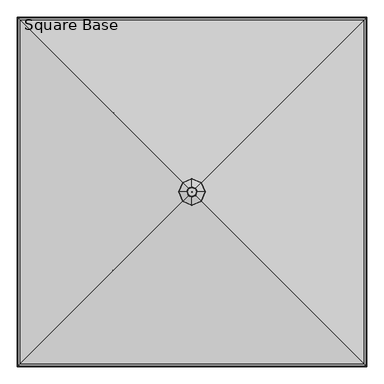
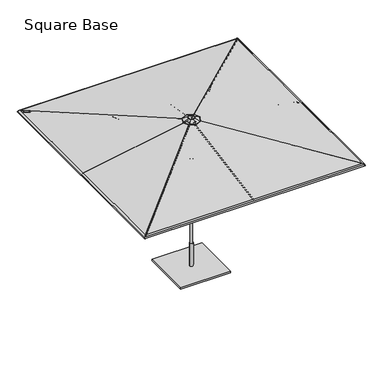
"""IFC4 building model written with IfcOpenShell, lengths in millimetres: furniture geometry, Square Base."""

from ifc_helpers import new_model, si_unit, point, frame, frame_2d, origin, origin_with_axes, place, context, project, spatial, polyline, circle_curve, ellipse_curve, trimmed, segment, composite_curve, outline, extrude, source, transform, mapped, element, save
from ifc_brep_helpers import plane_surface, cylinder_surface, revolved_surface, advanced_brep


def square_base_559cfc25(model_context):
    return source(origin(), model_context, "Body", "SolidModel", [
        extrude(outline(composite_curve([segment(polyline([(12.9834408, -8.4804821), (12.9834408, -22.8946348)]), True, "CONTINUOUS"), segment(trimmed(circle_curve(frame_2d((4.0299408, -22.8946348)), 8.9535), [point((12.9834408, -22.8946348))], [point((-4.9235592, -22.8946348))], False, "CARTESIAN"), True, "CONTINUOUS"), segment(polyline([(-4.9235592, -22.8946348), (-4.9235592, -8.4804821)]), True, "CONTINUOUS"), segment(trimmed(circle_curve(frame_2d((4.0299408, -8.4804821)), 8.9535), [point((-4.9235592, -8.4804821))], [point((12.9834408, -8.4804821))], False, "CARTESIAN"), True, "CONTINUOUS")], self_intersect=False)), frame((4.0299408, -59.6055274, 2259.2982868), z_axis=(0.0, -0.9628702081879168, 0.2699647424834542), x_axis=(-1.0, 0.0, 0.0)), (0.0, 0.0, 1.0), 1263.1950151),
        extrude(outline(composite_curve([segment(polyline([(12.9834408, -8.4804821), (12.9834408, -22.8946348)]), True, "CONTINUOUS"), segment(trimmed(circle_curve(frame_2d((4.0299408, -22.8946348)), 8.9535), [point((12.9834408, -22.8946348))], [point((-4.9235592, -22.8946348))], False, "CARTESIAN"), True, "CONTINUOUS"), segment(polyline([(-4.9235592, -22.8946348), (-4.9235592, -8.4804821)]), True, "CONTINUOUS"), segment(trimmed(circle_curve(frame_2d((4.0299408, -8.4804821)), 8.9535), [point((-4.9235592, -8.4804821))], [point((12.9834408, -8.4804821))], False, "CARTESIAN"), True, "CONTINUOUS")], self_intersect=False)), frame((-55.5755867, -8.0598816, 2259.2982868), z_axis=(-0.9628702081879168, 0.0, 0.2699647424834542), x_axis=(0.0, 1.0, 0.0)), (0.0, 0.0, 1.0), 1263.1950151),
        extrude(outline(composite_curve([segment(polyline([(12.9834408, -8.4804821), (12.9834408, -22.8946348)]), True, "CONTINUOUS"), segment(trimmed(circle_curve(frame_2d((4.0299408, -22.8946348)), 8.9535), [point((12.9834408, -22.8946348))], [point((-4.9235592, -22.8946348))], False, "CARTESIAN"), True, "CONTINUOUS"), segment(polyline([(-4.9235592, -22.8946348), (-4.9235592, -8.4804821)]), True, "CONTINUOUS"), segment(trimmed(circle_curve(frame_2d((4.0299408, -8.4804821)), 8.9535), [point((-4.9235592, -8.4804821))], [point((12.9834408, -8.4804821))], False, "CARTESIAN"), True, "CONTINUOUS")], self_intersect=False)), frame((-4.0299408, 51.5456459, 2259.2982868), z_axis=(0.0, 0.9628702081879168, 0.2699647424834542), x_axis=(1.0, 0.0, 0.0)), (0.0, 0.0, 1.0), 1263.1950151),
        extrude(outline(composite_curve([segment(trimmed(circle_curve(frame_2d((4.0299408, 7.3267917)), 8.9535), [point((12.9834408, 7.3267917))], [point((-4.9235592, 7.3267917))], False, "CARTESIAN"), True, "CONTINUOUS"), segment(polyline([(-4.9235592, 7.3267917), (-4.9235592, 21.7411304)]), True, "CONTINUOUS"), segment(trimmed(circle_curve(frame_2d((4.0299408, 21.7411304)), 8.9535), [point((-4.9235592, 21.7411304))], [point((12.9834408, 21.7411304))], False, "CARTESIAN"), True, "CONTINUOUS"), segment(polyline([(12.9834408, 21.7411304), (12.9834408, 7.3267917)]), True, "CONTINUOUS")], self_intersect=False)), frame((4.0299408, -1987.1148171, 2475.6924588), z_axis=(0.0, 0.9849276994863088, 0.1729665481664232), x_axis=(-1.0, 0.0, 0.0)), (0.0, 0.0, 1.0), 1958.3976179),
        extrude(outline(composite_curve([segment(trimmed(circle_curve(frame_2d((4.0299408, 7.3267917)), 8.9535), [point((12.9834408, 7.3267917))], [point((-4.9235592, 7.3267917))], False, "CARTESIAN"), True, "CONTINUOUS"), segment(polyline([(-4.9235592, 7.3267917), (-4.9235592, 21.7411304)]), True, "CONTINUOUS"), segment(trimmed(circle_curve(frame_2d((4.0299408, 21.7411304)), 8.9535), [point((-4.9235592, 21.7411304))], [point((12.9834408, 21.7411304))], False, "CARTESIAN"), True, "CONTINUOUS"), segment(polyline([(12.9834408, 21.7411304), (12.9834408, 7.3267917)]), True, "CONTINUOUS")], self_intersect=False)), frame((-1983.0848763, -8.0598816, 2475.6924588), z_axis=(0.9849276994863088, 0.0, 0.1729665481664232), x_axis=(0.0, 1.0, 0.0)), (0.0, 0.0, 1.0), 1958.3976179),
        extrude(outline(composite_curve([segment(trimmed(circle_curve(frame_2d((4.0299408, 7.3267917)), 8.9535), [point((12.9834408, 7.3267917))], [point((-4.9235592, 7.3267917))], False, "CARTESIAN"), True, "CONTINUOUS"), segment(polyline([(-4.9235592, 7.3267917), (-4.9235592, 21.7411304)]), True, "CONTINUOUS"), segment(trimmed(circle_curve(frame_2d((4.0299408, 21.7411304)), 8.9535), [point((-4.9235592, 21.7411304))], [point((12.9834408, 21.7411304))], False, "CARTESIAN"), True, "CONTINUOUS"), segment(polyline([(12.9834408, 21.7411304), (12.9834408, 7.3267917)]), True, "CONTINUOUS")], self_intersect=False)), frame((-4.0299408, 1979.0549355, 2475.6924588), z_axis=(0.0, -0.9849276994863088, 0.1729665481664232), x_axis=(1.0, 0.0, 0.0)), (0.0, 0.0, 1.0), 1958.3976179),
        extrude(outline(composite_curve([segment(trimmed(circle_curve(frame_2d((4.0299408, 7.3267917)), 8.9535), [point((12.9834408, 7.3267917))], [point((-4.9235592, 7.3267917))], False, "CARTESIAN"), True, "CONTINUOUS"), segment(polyline([(-4.9235592, 7.3267917), (-4.9235592, 21.7411304)]), True, "CONTINUOUS"), segment(trimmed(circle_curve(frame_2d((4.0299408, 21.7411304)), 8.9535), [point((-4.9235592, 21.7411304))], [point((12.9834408, 21.7411304))], False, "CARTESIAN"), True, "CONTINUOUS"), segment(polyline([(12.9834408, 21.7411304), (12.9834408, 7.3267917)]), True, "CONTINUOUS")], self_intersect=False)), frame((1983.0848763, 0.0, 2475.6924588), z_axis=(-0.9849276994863088, 0.0, 0.1729665481664232), x_axis=(0.0, -1.0, 0.0)), (0.0, 0.0, 1.0), 1958.3976179),
        extrude(outline(composite_curve([segment(polyline([(12.9834408, -8.4804821), (12.9834408, -22.8946348)]), True, "CONTINUOUS"), segment(trimmed(circle_curve(frame_2d((4.0299408, -22.8946348)), 8.9535), [point((12.9834408, -22.8946348))], [point((-4.9235592, -22.8946348))], False, "CARTESIAN"), True, "CONTINUOUS"), segment(polyline([(-4.9235592, -22.8946348), (-4.9235592, -8.4804821)]), True, "CONTINUOUS"), segment(trimmed(circle_curve(frame_2d((4.0299408, -8.4804821)), 8.9535), [point((-4.9235592, -8.4804821))], [point((12.9834408, -8.4804821))], False, "CARTESIAN"), True, "CONTINUOUS")], self_intersect=False)), frame((55.5755867, 0.0, 2259.2982868), z_axis=(0.9628702081879168, 0.0, 0.2699647424834542), x_axis=(0.0, -1.0, 0.0)), (0.0, 0.0, 1.0), 1263.1950151),
        extrude(outline(composite_curve([segment(trimmed(circle_curve(frame_2d((-0.4115857, 9.2017125)), 8.947892), [point((8.536306, 9.1998749))], [point((-9.3594775, 9.2035508))], False, "CARTESIAN"), True, "CONTINUOUS"), segment(polyline([(-9.3594775, 9.2035508), (-9.3566127, 23.1461249)]), True, "CONTINUOUS"), segment(trimmed(circle_curve(frame_2d((-0.4087216, 23.1461249)), 8.9478911), [point((-9.3566127, 23.1461249))], [point((8.5391696, 23.1457574))], False, "CARTESIAN"), True, "CONTINUOUS"), segment(polyline([(8.5391696, 23.1457574), (8.536306, 9.1998749)]), True, "CONTINUOUS")], self_intersect=False)), frame((43.1585428, -47.203831, 2259.9047905), z_axis=(0.6718267244028863, -0.6720656303125019, 0.3114107270643517), x_axis=(0.7072324735233163, 0.7069810665032634, 0.0)), (0.0, 0.0, 1.0), 1298.0805156),
        extrude(outline(composite_curve([segment(trimmed(circle_curve(frame_2d((-0.4115857, 9.2017125)), 8.947892), [point((8.5363061, 9.1998751))], [point((-9.3594775, 9.203551))], False, "CARTESIAN"), True, "CONTINUOUS"), segment(polyline([(-9.3594775, 9.203551), (-9.3566122, 23.1461249)]), True, "CONTINUOUS"), segment(trimmed(circle_curve(frame_2d((-0.4087215, 23.1461249)), 8.9478908), [point((-9.3566122, 23.1461249))], [point((8.5391693, 23.1457573))], False, "CARTESIAN"), True, "CONTINUOUS"), segment(polyline([(8.5391693, 23.1457573), (8.5363061, 9.1998751)]), True, "CONTINUOUS")], self_intersect=False)), frame((-43.1738902, -47.1884835, 2259.9047905), z_axis=(-0.6720656303125099, -0.6718267244028782, 0.3114107270643517), x_axis=(0.706981066503255, -0.7072324735233247, 0.0)), (0.0, 0.0, 1.0), 1298.0805156),
        extrude(outline(composite_curve([segment(trimmed(circle_curve(frame_2d((-0.4115858, 9.2017124)), 8.947892), [point((8.536306, 9.1998751))], [point((-9.3594776, 9.203551))], False, "CARTESIAN"), True, "CONTINUOUS"), segment(polyline([(-9.3594776, 9.203551), (-9.3566124, 23.1461249)]), True, "CONTINUOUS"), segment(trimmed(circle_curve(frame_2d((-0.4087216, 23.1461249)), 8.9478908), [point((-9.3566124, 23.1461249))], [point((8.5391692, 23.1457573))], False, "CARTESIAN"), True, "CONTINUOUS"), segment(polyline([(8.5391692, 23.1457573), (8.536306, 9.1998751)]), True, "CONTINUOUS")], self_intersect=False)), frame((-43.1585428, 39.1439494, 2259.9047905), z_axis=(-0.6718267244028835, 0.6720656303125044, 0.31141072706435163), x_axis=(-0.7072324735233191, -0.7069810665032606, 0.0)), (0.0, 0.0, 1.0), 1298.0805156),
        extrude(outline(composite_curve([segment(trimmed(circle_curve(frame_2d((-0.4115857, 9.2017125)), 8.947892), [point((8.536306, 9.1998751))], [point((-9.3594775, 9.203551))], False, "CARTESIAN"), True, "CONTINUOUS"), segment(polyline([(-9.3594775, 9.203551), (-9.3566123, 23.1461249)]), True, "CONTINUOUS"), segment(trimmed(circle_curve(frame_2d((-0.4087216, 23.1461249)), 8.9478908), [point((-9.3566123, 23.1461249))], [point((8.5391692, 23.1457573))], False, "CARTESIAN"), True, "CONTINUOUS"), segment(polyline([(8.5391692, 23.1457573), (8.536306, 9.1998751)]), True, "CONTINUOUS")], self_intersect=False)), frame((43.1738902, 39.128602, 2259.9047905), z_axis=(0.6720656303124989, 0.6718267244028892, 0.31141072706435163), x_axis=(-0.7069810665032665, 0.7072324735233132, 0.0)), (0.0, 0.0, 1.0), 1298.0805156),
        extrude(outline(composite_curve([segment(trimmed(circle_curve(frame_2d((0.0454336, -8.9661607)), 8.9535016), [point((-8.9080678, -8.9644053))], [point((8.9989351, -8.9679162))], False, "CARTESIAN"), True, "CONTINUOUS"), segment(polyline([(8.9989351, -8.9679162), (8.9961217, -23.3170803)]), True, "CONTINUOUS"), segment(trimmed(circle_curve(frame_2d((0.0426203, -23.3153248)), 8.9535016), [point((8.9961217, -23.3170803))], [point((-8.9108812, -23.3135693))], False, "CARTESIAN"), True, "CONTINUOUS"), segment(polyline([(-8.9108812, -23.3135693), (-8.9080678, -8.9644053)]), True, "CONTINUOUS")], self_intersect=False)), frame((1977.8782139, -1982.2909236, 2479.6206612), z_axis=(-0.7018853397709018, 0.7018853397709799, 0.12130102897033537), x_axis=(0.7071067811865869, 0.7071067811865083, 0.0)), (0.0, 0.0, 1.0), 2765.8331996),
        extrude(outline(composite_curve([segment(trimmed(circle_curve(frame_2d((0.0454337, -8.9661607)), 8.9535016), [point((-8.9080678, -8.9644053))], [point((8.9989351, -8.9679162))], False, "CARTESIAN"), True, "CONTINUOUS"), segment(polyline([(8.9989351, -8.9679162), (8.9961218, -23.3170803)]), True, "CONTINUOUS"), segment(trimmed(circle_curve(frame_2d((0.0426203, -23.3153248)), 8.9535016), [point((8.9961218, -23.3170803))], [point((-8.9108811, -23.3135693))], False, "CARTESIAN"), True, "CONTINUOUS"), segment(polyline([(-8.9108811, -23.3135693), (-8.9080678, -8.9644053)]), True, "CONTINUOUS")], self_intersect=False)), frame((-1978.2609828, -1981.9081546, 2479.6206612), z_axis=(0.701885339770988, 0.7018853397708935, 0.1213010289703354), x_axis=(0.7071067811864999, -0.7071067811865951, 0.0)), (0.0, 0.0, 1.0), 2765.8331996),
        extrude(outline(composite_curve([segment(trimmed(circle_curve(frame_2d((0.0454336, -8.9661607)), 8.9535016), [point((-8.9080678, -8.9644053))], [point((8.9989351, -8.9679162))], False, "CARTESIAN"), True, "CONTINUOUS"), segment(polyline([(8.9989351, -8.9679162), (8.9961217, -23.3170803)]), True, "CONTINUOUS"), segment(trimmed(circle_curve(frame_2d((0.0426202, -23.3153248)), 8.9535016), [point((8.9961217, -23.3170803))], [point((-8.9108812, -23.3135693))], False, "CARTESIAN"), True, "CONTINUOUS"), segment(polyline([(-8.9108812, -23.3135693), (-8.9080678, -8.9644053)]), True, "CONTINUOUS")], self_intersect=False)), frame((-1977.8782139, 1974.231042, 2479.6206612), z_axis=(0.7018853397708994, -0.7018853397709822, 0.1213010289703354), x_axis=(-0.7071067811865893, -0.7071067811865058, 0.0)), (0.0, 0.0, 1.0), 2765.8331996),
        extrude(outline(composite_curve([segment(trimmed(circle_curve(frame_2d((0.0454336, -8.9661607)), 8.9535016), [point((-8.9080678, -8.9644053))], [point((8.9989351, -8.9679162))], False, "CARTESIAN"), True, "CONTINUOUS"), segment(polyline([(8.9989351, -8.9679162), (8.9961217, -23.3170803)]), True, "CONTINUOUS"), segment(trimmed(circle_curve(frame_2d((0.0426203, -23.3153248)), 8.9535016), [point((8.9961217, -23.3170803))], [point((-8.9108812, -23.3135693))], False, "CARTESIAN"), True, "CONTINUOUS"), segment(polyline([(-8.9108812, -23.3135693), (-8.9080678, -8.9644053)]), True, "CONTINUOUS")], self_intersect=False)), frame((1978.2609828, 1973.8482731, 2479.6206612), z_axis=(-0.7018853397709766, -0.701885339770905, 0.12130102897033535), x_axis=(-0.7071067811865115, 0.7071067811865837, 0.0)), (0.0, 0.0, 1.0), 2765.8331996),
        advanced_brep(
        [(-40.867282, -4.0299408, 2820.0217644), (40.867282, -4.0299408, 2820.0217644), (40.867282, -4.0299408, 2283.1187105), (-40.867282, -4.0299408, 2283.1187105), (0.0, -4.0299408, 2820.0217644), (0.0, -4.0299408, 2283.1187105)],
        [
            (0, 1, circle_curve(frame((0.0, -4.0299408, 2820.0217644), z_axis=(0.0, 0.0, -1.0), x_axis=(1.0, 0.0, 0.0)), 40.867282)),
            (1, 2),
            (2, 3, circle_curve(frame((0.0, -4.0299408, 2283.1187105), z_axis=(0.0, 0.0, 1.0), x_axis=(1.0, 0.0, 0.0)), 40.867282)),
            (3, 0),
            (1, 0, circle_curve(frame((0.0, -4.0299408, 2820.0217644), z_axis=(0.0, 0.0, -1.0), x_axis=(1.0, 0.0, 0.0)), 40.867282)),
            (3, 2, circle_curve(frame((0.0, -4.0299408, 2283.1187105), z_axis=(0.0, 0.0, 1.0), x_axis=(1.0, 0.0, 0.0)), 40.867282)),
            (4, 1),
            (0, 4),
            (2, 5),
            (5, 3),
        ],
        [
            cylinder_surface(frame((0.0, -4.0299408, 3090.2909748), z_axis=(0.0, 0.0, 1.0), x_axis=(1.0, 0.0, 0.0)), 40.867282),
            plane_surface(frame((0.0, -4.0299408, 2820.0217644), z_axis=(0.0, 0.0, 1.0), x_axis=(1.0, 0.0, 0.0))),
            plane_surface(frame((0.0, -4.0299408, 2283.1187105), z_axis=(0.0, 0.0, -1.0), x_axis=(1.0, 0.0, 0.0))),
        ],
        [
            (0, [[1, 2, 3, 4]]),
            (0, [[5, -4, 6, -2]]),
            (1, [[7, -1, 8]]),
            (1, [[-8, -5, -7]]),
            (2, [[-3, 9, 10]]),
            (2, [[-6, -10, -9]]),
        ],
    ),
        advanced_brep(
        [(-58.7349315, -4.0299408, 2259.2981415), (58.7349315, -4.0299408, 2259.2981415), (51.3054317, -4.0299408, 2241.5499516), (-51.3054317, -4.0299408, 2241.5499516), (-58.7349315, -4.0299408, 2284.6981899), (58.7349315, -4.0299408, 2284.6981899), (0.0, -4.0299408, 2284.6981899), (-50.392282, -4.0299408, 2114.55), (50.392282, -4.0299408, 2114.55), (0.0, -4.0299408, 2114.55), (-58.2510683, -4.0299408, 2120.8999031), (58.2510683, -4.0299408, 2120.8999031), (-44.8554107, -4.0299408, 2241.5499516), (44.8554107, -4.0299408, 2241.5499516)],
        [
            (0, 1, circle_curve(frame((0.0, -4.0299408, 2259.2981415), z_axis=(0.0, 0.0, -1.0), x_axis=(1.0, 0.0, 0.0)), 58.7349315)),
            (1, 2, circle_curve(frame((43.6558497, -4.0299408, 2255.1812246), z_axis=(0.0, 1.0, 0.0), x_axis=(1.0, 0.0, 0.0)), 15.6309856)),
            (2, 3, circle_curve(frame((0.0, -4.0299408, 2241.5499516), z_axis=(0.0, 0.0, 1.0), x_axis=(1.0, 0.0, 0.0)), 51.3054317)),
            (3, 0, circle_curve(frame((-43.6558497, -4.0299408, 2255.1812246), z_axis=(0.0, 1.0, 0.0), x_axis=(-1.0, 0.0, 0.0)), 15.6309856)),
            (1, 0, circle_curve(frame((0.0, -4.0299408, 2259.2981415), z_axis=(0.0, 0.0, -1.0), x_axis=(1.0, 0.0, 0.0)), 58.7349315)),
            (3, 2, circle_curve(frame((0.0, -4.0299408, 2241.5499516), z_axis=(0.0, 0.0, 1.0), x_axis=(1.0, 0.0, 0.0)), 51.3054317)),
            (4, 5, circle_curve(frame((0.0, -4.0299408, 2284.6981899), z_axis=(0.0, 0.0, -1.0), x_axis=(1.0, 0.0, 0.0)), 58.7349315)),
            (5, 1, circle_curve(frame((52.8666055, -4.0299408, 2271.9981657), z_axis=(0.0, 1.0, 0.0), x_axis=(1.0, 0.0, 0.0)), 13.9902775)),
            (0, 4, circle_curve(frame((-52.8666055, -4.0299408, 2271.9981657), z_axis=(0.0, 1.0, 0.0), x_axis=(-1.0, 0.0, 0.0)), 13.9902775)),
            (5, 4, circle_curve(frame((0.0, -4.0299408, 2284.6981899), z_axis=(0.0, 0.0, -1.0), x_axis=(1.0, 0.0, 0.0)), 58.7349315)),
            (6, 5),
            (4, 6),
            (7, 8, circle_curve(frame((0.0, -4.0299408, 2114.55), z_axis=(0.0, 0.0, -1.0), x_axis=(1.0, 0.0, 0.0)), 50.392282)),
            (8, 9),
            (9, 7),
            (8, 7, circle_curve(frame((0.0, -4.0299408, 2114.55), z_axis=(0.0, 0.0, -1.0), x_axis=(1.0, 0.0, 0.0)), 50.392282)),
            (10, 11, circle_curve(frame((0.0, -4.0299408, 2120.8999031), z_axis=(0.0, 0.0, -1.0), x_axis=(1.0, 0.0, 0.0)), 58.2510683)),
            (11, 8),
            (7, 10),
            (11, 10, circle_curve(frame((0.0, -4.0299408, 2120.8999031), z_axis=(0.0, 0.0, -1.0), x_axis=(1.0, 0.0, 0.0)), 58.2510683)),
            (12, 13, circle_curve(frame((0.0, -4.0299408, 2241.5499516), z_axis=(0.0, 0.0, -1.0), x_axis=(1.0, 0.0, 0.0)), 44.8554107)),
            (13, 11),
            (10, 12),
            (13, 12, circle_curve(frame((0.0, -4.0299408, 2241.5499516), z_axis=(0.0, 0.0, -1.0), x_axis=(1.0, 0.0, 0.0)), 44.8554107)),
            (2, 13),
            (12, 3),
        ],
        [
            revolved_surface(trimmed(ellipse_curve(frame((43.6558497, -4.0299408, 2255.1812246), z_axis=(0.0, -1.0, 0.0), x_axis=(1.0, 0.0, 0.0)), 15.6309856, 15.6309856), [point((51.3054317, -4.0299408, 2241.5499516))], [point((58.7349315, -4.0299408, 2259.2981415))], True, "CARTESIAN"), (0.0, -4.0299408, 2404.1943844), (0.0, 0.0, 1.0)),
            revolved_surface(trimmed(ellipse_curve(frame((52.8666055, -4.0299408, 2271.9981657), z_axis=(0.0, -1.0, 0.0), x_axis=(1.0, 0.0, 0.0)), 13.9902775, 13.9902775), [point((58.7349315, -4.0299408, 2259.2981415))], [point((58.7349315, -4.0299408, 2284.6981899))], True, "CARTESIAN"), (0.0, -4.0299408, 2404.1943844), (0.0, 0.0, 1.0)),
            plane_surface(frame((0.0, -4.0299408, 2284.6981899), z_axis=(0.0, 0.0, 1.0), x_axis=(1.0, 0.0, 0.0))),
            plane_surface(frame((0.0, -4.0299408, 2114.55), z_axis=(0.0, 0.0, -1.0), x_axis=(1.0, 0.0, 0.0))),
            revolved_surface(polyline([(50.392282, -4.0299408, 2114.55), (58.2510683, -4.0299408, 2120.8999031)]), (0.0, -4.0299408, 2404.1943844), (0.0, 0.0, 1.0)),
            revolved_surface(polyline([(58.2510683, -4.0299408, 2120.8999031), (44.8554107, -4.0299408, 2241.5499516)]), (0.0, -4.0299408, 2404.1943844), (0.0, 0.0, 1.0)),
            plane_surface(frame((0.0, -4.0299408, 2241.5499516), z_axis=(0.0, 0.0, -1.0), x_axis=(1.0, 0.0, 0.0))),
        ],
        [
            (0, [[1, 2, 3, 4]]),
            (0, [[5, -4, 6, -2]]),
            (1, [[7, 8, -1, 9]]),
            (1, [[10, -9, -5, -8]]),
            (2, [[11, -7, 12]]),
            (2, [[-12, -10, -11]]),
            (3, [[13, 14, 15]]),
            (3, [[16, -15, -14]]),
            (4, [[17, 18, -13, 19]]),
            (4, [[20, -19, -16, -18]]),
            (5, [[21, 22, -17, 23]]),
            (5, [[24, -23, -20, -22]]),
            (6, [[-3, 25, -21, 26]]),
            (6, [[-6, -26, -24, -25]]),
        ],
    ),
        advanced_brep(
        [(-63.1096697, -4.0299408, 2819.4), (63.1096697, -4.0299408, 2819.4), (0.0, -4.0299408, 2819.4), (-63.1096697, -4.0299408, 2844.8), (63.1096697, -4.0299408, 2844.8), (0.0, -4.0299408, 2844.8)],
        [
            (0, 1, circle_curve(frame((0.0, -4.0299408, 2819.4), z_axis=(0.0, 0.0, -1.0), x_axis=(1.0, 0.0, 0.0)), 63.1096697)),
            (1, 2),
            (2, 0),
            (1, 0, circle_curve(frame((0.0, -4.0299408, 2819.4), z_axis=(0.0, 0.0, -1.0), x_axis=(1.0, 0.0, 0.0)), 63.1096697)),
            (3, 4, circle_curve(frame((0.0, -4.0299408, 2844.8), z_axis=(0.0, 0.0, -1.0), x_axis=(1.0, 0.0, 0.0)), 63.1096697)),
            (4, 1, circle_curve(frame((63.1096697, -4.0299408, 2832.1), z_axis=(0.0, 1.0, 0.0), x_axis=(1.0, 0.0, 0.0)), 12.7)),
            (0, 3, circle_curve(frame((-63.1096697, -4.0299408, 2832.1), z_axis=(0.0, 1.0, 0.0), x_axis=(-1.0, 0.0, 0.0)), 12.7)),
            (4, 3, circle_curve(frame((0.0, -4.0299408, 2844.8), z_axis=(0.0, 0.0, -1.0), x_axis=(1.0, 0.0, 0.0)), 63.1096697)),
            (5, 4),
            (3, 5),
        ],
        [
            plane_surface(frame((0.0, -4.0299408, 2819.4), z_axis=(0.0, 0.0, -1.0), x_axis=(1.0, 0.0, 0.0))),
            revolved_surface(trimmed(ellipse_curve(frame((63.1096697, -4.0299408, 2832.1), z_axis=(0.0, -1.0, 0.0), x_axis=(1.0, 0.0, 0.0)), 12.7, 12.7), [point((63.1096697, -4.0299408, 2819.4))], [point((63.1096697, -4.0299408, 2844.8))], True, "CARTESIAN"), (0.0, -4.0299408, 2876.5500484), (0.0, 0.0, 1.0)),
            plane_surface(frame((0.0, -4.0299408, 2844.8), z_axis=(0.0, 0.0, 1.0), x_axis=(1.0, 0.0, 0.0))),
        ],
        [
            (0, [[1, 2, 3]]),
            (0, [[4, -3, -2]]),
            (1, [[5, 6, -1, 7]]),
            (1, [[8, -7, -4, -6]]),
            (2, [[9, -5, 10]]),
            (2, [[-10, -8, -9]]),
        ],
    ),
        advanced_brep(
        [(51.4758641, -4.0299408, 2890.0040106), (35.9138192, 31.8838784, 2890.0040106), (0.0, 47.4459233, 2890.0040106), (-35.9138192, 31.8838784, 2890.0040106), (-51.4758641, -4.0299408, 2890.0040106), (-35.9138192, -39.94376, 2890.0040106), (0.0, -55.5058049, 2890.0040106), (35.9138192, -39.94376, 2890.0040106), (-0.2799193, -3.7500215, 2890.0040106), (0.0, -3.6287279, 2890.0040106), (0.2799193, -3.7500215, 2890.0040106), (0.4012128, -4.0299408, 2890.0040106), (0.2799193, -4.30986, 2890.0040106), (0.0, -4.4311536, 2890.0040106), (-0.2799193, -4.30986, 2890.0040106), (-0.4012128, -4.0299408, 2890.0040106), (-19.7877165, 15.7577757, 2875.4859989), (0.0, 24.3321167, 2875.4859989), (19.7877165, 15.7577757, 2875.4859989), (28.3620575, -4.0299408, 2875.4859989), (19.7877165, -23.8176572, 2875.4859989), (0.0, -32.3919982, 2875.4859989), (-19.7877165, -23.8176572, 2875.4859989), (-28.3620575, -4.0299408, 2875.4859989), (0.4012128, -4.0299408, 2875.4859989), (0.2799193, -3.7500215, 2875.4859989), (0.0, -3.6287279, 2875.4859989), (-0.2799193, -3.7500215, 2875.4859989), (-0.4012128, -4.0299408, 2875.4859989), (-0.2799193, -4.30986, 2875.4859989), (0.0, -4.4311536, 2875.4859989), (0.2799193, -4.30986, 2875.4859989), (-106.9123029, 102.8823621, 2842.561865), (-153.2391514, -4.0299408, 2842.561865), (-106.9123029, -110.9422437, 2842.561865), (0.0, -157.2690921, 2842.561865), (106.9123029, -110.9422437, 2842.561865), (153.2391514, -4.0299408, 2842.561865), (106.9123029, 102.8823621, 2842.561865), (0.0, 149.2092106, 2842.561865), (-107.6793415, 103.6494007, 2845.1373362), (-154.3385603, -4.0299408, 2845.1373362), (-43.6579551, 39.6280143, 2887.5822171), (-62.5756606, -4.0299408, 2887.5822171), (-107.6793415, -111.7092823, 2845.1373362), (-43.6579551, -47.6878958, 2887.5822171), (0.0, -158.3685011, 2845.1373362), (0.0, -66.6056014, 2887.5822171), (107.6793415, -111.7092823, 2845.1373362), (43.6579551, -47.6878958, 2887.5822171), (154.3385603, -4.0299408, 2845.1373362), (62.5756606, -4.0299408, 2887.5822171), (107.6793415, 103.6494007, 2845.1373362), (43.6579551, 39.6280143, 2887.5822171), (0.0, 150.3086195, 2845.1373362), (0.0, 58.5457199, 2887.5822171)],
        [
            (0, 1),
            (1, 2),
            (2, 3),
            (3, 4),
            (4, 5),
            (5, 6),
            (6, 7),
            (7, 0),
            (8, 9),
            (9, 10),
            (10, 11),
            (11, 12),
            (12, 13),
            (13, 14),
            (14, 15),
            (15, 8),
            (16, 17),
            (17, 18),
            (18, 19),
            (19, 20),
            (20, 21),
            (21, 22),
            (22, 23),
            (23, 16),
            (24, 25),
            (25, 26),
            (26, 27),
            (27, 28),
            (28, 29),
            (29, 30),
            (30, 31),
            (31, 24),
            (27, 8),
            (15, 28),
            (14, 29),
            (13, 30),
            (12, 31),
            (11, 24),
            (10, 25),
            (9, 26),
            (32, 16),
            (23, 33),
            (33, 32),
            (22, 34),
            (34, 33),
            (21, 35),
            (35, 34),
            (20, 36),
            (36, 35),
            (19, 37),
            (37, 36),
            (18, 38),
            (38, 37),
            (17, 39),
            (39, 38),
            (32, 39),
            (40, 32, ellipse_curve(frame((-107.203988, 103.1740472, 2843.8969069), z_axis=(-0.7071067811865479, -0.707106781186547, 0.0), x_axis=(-0.7071067811865467, 0.7071067811865482, 0.0)), 1.4936871, 1.3890625)),
            (33, 41, ellipse_curve(frame((-153.6572284, -4.0299408, 2843.8969069), z_axis=(0.0, 0.9999999999999999, 0.0), x_axis=(1.0, 0.0, 0.0)), 1.5138634, 1.3890625)),
            (41, 40),
            (42, 40),
            (41, 43),
            (43, 42),
            (3, 42, ellipse_curve(frame((-35.9138192, 31.8838784, 2867.3773723), z_axis=(-0.7071067811865479, -0.707106781186547, 0.0), x_axis=(-0.7071067811865467, 0.7071067811865483, 0.0)), 24.3308838, 22.6266383)),
            (43, 4, ellipse_curve(frame((-51.4758641, -4.0299408, 2867.3773723), z_axis=(0.0, 0.9999999999999999, 0.0), x_axis=(1.0, 0.0, 0.0)), 24.6595383, 22.6266383)),
            (34, 44, ellipse_curve(frame((-107.203988, -111.2339288, 2843.8969069), z_axis=(-0.707106781186547, 0.707106781186548, 0.0), x_axis=(0.7071067811865479, 0.707106781186547, 0.0)), 1.4936871, 1.3890625)),
            (44, 41),
            (44, 45),
            (45, 43),
            (45, 5, ellipse_curve(frame((-35.9138192, -39.94376, 2867.3773723), z_axis=(-0.707106781186547, 0.707106781186548, 0.0), x_axis=(0.7071067811865479, 0.707106781186547, 0.0)), 24.3308838, 22.6266383)),
            (35, 46, ellipse_curve(frame((0.0, -157.6871692, 2843.8969069), z_axis=(-0.9999999999999999, 0.0, 0.0), x_axis=(0.0, 1.0, 0.0)), 1.5138634, 1.3890625)),
            (46, 44),
            (46, 47),
            (47, 45),
            (47, 6, ellipse_curve(frame((0.0, -55.5058049, 2867.3773723), z_axis=(-0.9999999999999999, 0.0, 0.0), x_axis=(0.0, 1.0, 0.0)), 24.6595383, 22.6266383)),
            (36, 48, ellipse_curve(frame((107.203988, -111.2339288, 2843.8969069), z_axis=(-0.707106781186548, -0.707106781186547, 0.0), x_axis=(-0.7071067811865469, 0.7071067811865481, 0.0)), 1.4936871, 1.3890625)),
            (48, 46),
            (48, 49),
            (49, 47),
            (49, 7, ellipse_curve(frame((35.9138192, -39.94376, 2867.3773723), z_axis=(-0.707106781186548, -0.707106781186547, 0.0), x_axis=(-0.7071067811865469, 0.7071067811865481, 0.0)), 24.3308838, 22.6266383)),
            (37, 50, ellipse_curve(frame((153.6572284, -4.0299408, 2843.8969069), z_axis=(0.0, -1.0, 0.0), x_axis=(-1.0, 0.0, 0.0)), 1.5138634, 1.3890625)),
            (50, 48),
            (50, 51),
            (51, 49),
            (51, 0, ellipse_curve(frame((51.4758641, -4.0299408, 2867.3773723), z_axis=(0.0, -1.0, 0.0), x_axis=(-1.0, 0.0, 0.0)), 24.6595383, 22.6266383)),
            (38, 52, ellipse_curve(frame((107.203988, 103.1740472, 2843.8969069), z_axis=(0.707106781186547, -0.707106781186548, 0.0), x_axis=(-0.7071067811865478, -0.7071067811865471, 0.0)), 1.4936871, 1.3890625)),
            (52, 50),
            (52, 53),
            (53, 51),
            (53, 1, ellipse_curve(frame((35.9138192, 31.8838784, 2867.3773723), z_axis=(0.707106781186547, -0.707106781186548, 0.0), x_axis=(-0.7071067811865478, -0.7071067811865471, 0.0)), 24.3308838, 22.6266383)),
            (39, 54, ellipse_curve(frame((0.0, 149.6272876, 2843.8969069), z_axis=(0.9999999999999999, 0.0, 0.0), x_axis=(0.0, -1.0, 0.0)), 1.5138634, 1.3890625)),
            (54, 52),
            (54, 55),
            (55, 53),
            (55, 2, ellipse_curve(frame((0.0, 47.4459233, 2867.3773723), z_axis=(0.9999999999999999, 0.0, 0.0), x_axis=(0.0, -1.0, 0.0)), 24.6595383, 22.6266383)),
            (40, 54),
            (42, 55),
        ],
        [
            plane_surface(frame((0.0, 47.4459233, 2890.0040106), z_axis=(0.0, 0.0, 1.0), x_axis=(-0.9175613115760063, -0.3975943152246006, 0.0))),
            plane_surface(frame((0.0, -3.6287279, 2875.4859989), z_axis=(0.0, 0.0, -1.0), x_axis=(-0.9175613115759825, -0.39759431522465544, 0.0))),
            plane_surface(frame((-0.2799193, -3.7500215, 2890.0040106), z_axis=(0.9175613115760287, -0.39759431522454897, 0.0), x_axis=(-0.39759431522454897, -0.9175613115760287, 0.0))),
            plane_surface(frame((-0.4012128, -4.0299408, 2890.0040106), z_axis=(0.9175613115760101, 0.39759431522459215, 0.0), x_axis=(0.39759431522459215, -0.9175613115760101, 0.0))),
            plane_surface(frame((-0.2799193, -4.30986, 2890.0040106), z_axis=(0.3975943152246027, 0.9175613115760054, 0.0), x_axis=(0.9175613115760054, -0.3975943152246027, 0.0))),
            plane_surface(frame((0.0, -4.4311536, 2890.0040106), z_axis=(-0.39759431522465355, 0.9175613115759834, 0.0), x_axis=(0.9175613115759834, 0.39759431522465355, 0.0))),
            plane_surface(frame((0.2799193, -4.30986, 2890.0040106), z_axis=(-0.9175613115760223, 0.3975943152245637, 0.0), x_axis=(0.3975943152245637, 0.9175613115760223, 0.0))),
            plane_surface(frame((0.4012128, -4.0299408, 2890.0040106), z_axis=(-0.9175613115760138, -0.39759431522458333, 0.0), x_axis=(-0.39759431522458333, 0.9175613115760138, 0.0))),
            plane_surface(frame((0.2799193, -3.7500215, 2890.0040106), z_axis=(-0.3975943152245585, -0.9175613115760246, 0.0), x_axis=(-0.9175613115760246, 0.3975943152245585, 0.0))),
            plane_surface(frame((0.0, -3.6287279, 2890.0040106), z_axis=(0.3975943152246166, -0.9175613115759995, 0.0), x_axis=(-0.9175613115759995, -0.3975943152246166, 0.0))),
            plane_surface(frame((-19.7877165, 15.7577757, 2875.4859989), z_axis=(0.2533988855278373, -0.10980187928485077, -0.961110062437578), x_axis=(-0.3975943152246025, -0.9175613115760055, 0.0))),
            plane_surface(frame((-28.3620575, -4.0299408, 2875.4859989), z_axis=(0.25339888552783774, 0.1098018792848499, -0.9611100624375779), x_axis=(0.39759431522459926, -0.9175613115760068, 0.0))),
            plane_surface(frame((-19.7877165, -23.8176572, 2875.4859989), z_axis=(0.10980187928485048, 0.2533988855278374, -0.961110062437578), x_axis=(0.917561311576006, -0.3975943152246014, 0.0))),
            plane_surface(frame((0.0, -32.3919982, 2875.4859989), z_axis=(-0.10980187928485045, 0.2533988855278375, -0.9611100624375782), x_axis=(0.9175613115760062, 0.39759431522460126, 0.0))),
            plane_surface(frame((19.7877165, -23.8176572, 2875.4859989), z_axis=(-0.2533988855278373, 0.109801879284851, -0.9611100624375779), x_axis=(0.3975943152246032, 0.9175613115760052, 0.0))),
            plane_surface(frame((28.3620575, -4.0299408, 2875.4859989), z_axis=(-0.25339888552783757, -0.10980187928485018, -0.961110062437578), x_axis=(-0.3975943152246003, 0.9175613115760065, 0.0))),
            plane_surface(frame((19.7877165, 15.7577757, 2875.4859989), z_axis=(-0.10980187928485058, -0.2533988855278374, -0.9611100624375781), x_axis=(-0.917561311576006, 0.39759431522460176, 0.0))),
            plane_surface(frame((0.0, 24.3321167, 2875.4859989), z_axis=(0.1098018792848505, -0.2533988855278374, -0.9611100624375781), x_axis=(-0.917561311576006, -0.39759431522460154, 0.0))),
            cylinder_surface(frame((-107.3260139, 102.892438, 2843.8969069), z_axis=(0.3975943152246023, 0.9175613115760056, 0.0), x_axis=(0.9175613115760056, -0.3975943152246023, 0.0)), 1.3890625),
            plane_surface(frame((-107.6793415, 103.6494007, 2845.1373362), z_axis=(-0.4130359930210966, 0.1789752474701297, 0.8929552784222079), x_axis=(-0.39759431522460226, -0.9175613115760056, 0.0))),
            cylinder_surface(frame((-21.2976063, 65.6149227, 2867.3773723), z_axis=(0.39759431522460237, 0.9175613115760056, 0.0), x_axis=(0.9175613115760056, -0.39759431522460237, 0.0)), 22.6266383),
            cylinder_surface(frame((-153.5234893, -4.3385816, 2843.8969069), z_axis=(-0.39759431522459965, 0.9175613115760068, 0.0), x_axis=(0.9175613115760068, 0.39759431522459965, 0.0)), 1.3890625),
            plane_surface(frame((-154.3385603, -4.0299408, 2845.1373362), z_axis=(-0.4130359930210971, -0.1789752474701285, 0.8929552784222078), x_axis=(0.39759431522459965, -0.9175613115760067, 0.0))),
            cylinder_surface(frame((-67.4950817, 32.9389337, 2867.3773723), z_axis=(-0.39759431522459965, 0.9175613115760068, 0.0), x_axis=(0.9175613115760068, 0.39759431522459965, 0.0)), 22.6266383),
            cylinder_surface(frame((-106.9223788, -111.3559546, 2843.8969069), z_axis=(-0.9175613115760063, 0.3975943152246009, 0.0), x_axis=(0.3975943152246009, 0.9175613115760063, 0.0)), 1.3890625),
            plane_surface(frame((-107.6793415, -111.7092823, 2845.1373362), z_axis=(-0.17897524747012897, -0.4130359930210967, 0.8929552784222078), x_axis=(0.9175613115760062, -0.3975943152246008, 0.0))),
            cylinder_surface(frame((-69.6448635, -25.3275471, 2867.3773723), z_axis=(-0.9175613115760063, 0.3975943152246009, 0.0), x_axis=(0.3975943152246009, 0.9175613115760063, 0.0)), 22.6266383),
            cylinder_surface(frame((0.3086408, -157.5534301, 2843.8969069), z_axis=(-0.9175613115760062, -0.3975943152246011, 0.0), x_axis=(-0.3975943152246011, 0.9175613115760062, 0.0)), 1.3890625),
            plane_surface(frame((0.0, -158.3685011, 2845.1373362), z_axis=(0.17897524747012913, -0.41303599302109667, 0.8929552784222079), x_axis=(0.9175613115760061, 0.3975943152246012, 0.0))),
            cylinder_surface(frame((-36.9688745, -71.5250225, 2867.3773723), z_axis=(-0.9175613115760062, -0.3975943152246011, 0.0), x_axis=(-0.3975943152246011, 0.9175613115760062, 0.0)), 22.6266383),
            cylinder_surface(frame((107.3260139, -110.9523195, 2843.8969069), z_axis=(-0.3975943152246023, -0.9175613115760057, 0.0), x_axis=(-0.9175613115760057, 0.3975943152246023, 0.0)), 1.3890625),
            plane_surface(frame((107.6793415, -111.7092823, 2845.1373362), z_axis=(0.41303599302109645, -0.1789752474701296, 0.8929552784222079), x_axis=(0.39759431522460226, 0.9175613115760056, 0.0))),
            cylinder_surface(frame((21.2976063, -73.6748043, 2867.3773723), z_axis=(-0.3975943152246023, -0.9175613115760057, 0.0), x_axis=(-0.9175613115760057, 0.3975943152246023, 0.0)), 22.6266383),
            cylinder_surface(frame((153.5234893, -3.7213, 2843.8969069), z_axis=(0.39759431522459965, -0.9175613115760066, 0.0), x_axis=(-0.9175613115760066, -0.39759431522459965, 0.0)), 1.3890625),
            plane_surface(frame((154.3385603, -4.0299408, 2845.1373362), z_axis=(0.4130359930210969, 0.1789752474701285, 0.8929552784222079), x_axis=(-0.3975943152245998, 0.9175613115760067, 0.0))),
            cylinder_surface(frame((67.4950817, -40.9988153, 2867.3773723), z_axis=(0.39759431522459965, -0.9175613115760066, 0.0), x_axis=(-0.9175613115760066, -0.39759431522459965, 0.0)), 22.6266383),
            cylinder_surface(frame((106.9223788, 103.2960731, 2843.8969069), z_axis=(0.9175613115760062, -0.3975943152246008, 0.0), x_axis=(-0.3975943152246008, -0.9175613115760062, 0.0)), 1.3890625),
            plane_surface(frame((107.6793415, 103.6494007, 2845.1373362), z_axis=(0.17897524747012897, 0.41303599302109656, 0.892955278422208), x_axis=(-0.9175613115760062, 0.397594315224601, 0.0))),
            cylinder_surface(frame((69.6448635, 17.2676655, 2867.3773723), z_axis=(0.9175613115760062, -0.3975943152246008, 0.0), x_axis=(-0.3975943152246008, -0.9175613115760062, 0.0)), 22.6266383),
            cylinder_surface(frame((-0.3086408, 149.4935485, 2843.8969069), z_axis=(0.9175613115760061, 0.39759431522460115, 0.0), x_axis=(0.39759431522460115, -0.9175613115760061, 0.0)), 1.3890625),
            plane_surface(frame((0.0, 150.3086195, 2845.1373362), z_axis=(-0.17897524747012894, 0.41303599302109656, 0.8929552784222079), x_axis=(-0.9175613115760062, -0.3975943152246009, 0.0))),
            cylinder_surface(frame((36.9688745, 63.4651409, 2867.3773723), z_axis=(0.9175613115760061, 0.39759431522460115, 0.0), x_axis=(0.39759431522460115, -0.9175613115760061, 0.0)), 22.6266383),
        ],
        [
            (0, [[1, 2, 3, 4, 5, 6, 7, 8], [9, 10, 11, 12, 13, 14, 15, 16]]),
            (1, [[17, 18, 19, 20, 21, 22, 23, 24], [25, 26, 27, 28, 29, 30, 31, 32]]),
            (2, [[33, -16, 34, -28]]),
            (3, [[-34, -15, 35, -29]]),
            (4, [[-35, -14, 36, -30]]),
            (5, [[-36, -13, 37, -31]]),
            (6, [[-37, -12, 38, -32]]),
            (7, [[-38, -11, 39, -25]]),
            (8, [[-39, -10, 40, -26]]),
            (9, [[-40, -9, -33, -27]]),
            (10, [[41, -24, 42, 43]]),
            (11, [[-42, -23, 44, 45]]),
            (12, [[-44, -22, 46, 47]]),
            (13, [[-46, -21, 48, 49]]),
            (14, [[-48, -20, 50, 51]]),
            (15, [[-50, -19, 52, 53]]),
            (16, [[-52, -18, 54, 55]]),
            (17, [[-54, -17, -41, 56]]),
            (18, [[57, -43, 58, 59]]),
            (19, [[60, -59, 61, 62]]),
            (20, [[63, -62, 64, -4]]),
            (21, [[-58, -45, 65, 66]]),
            (22, [[-61, -66, 67, 68]]),
            (23, [[-64, -68, 69, -5]]),
            (24, [[-65, -47, 70, 71]]),
            (25, [[-67, -71, 72, 73]]),
            (26, [[-69, -73, 74, -6]]),
            (27, [[-70, -49, 75, 76]]),
            (28, [[-72, -76, 77, 78]]),
            (29, [[-74, -78, 79, -7]]),
            (30, [[-75, -51, 80, 81]]),
            (31, [[-77, -81, 82, 83]]),
            (32, [[-79, -83, 84, -8]]),
            (33, [[-80, -53, 85, 86]]),
            (34, [[-82, -86, 87, 88]]),
            (35, [[-84, -88, 89, -1]]),
            (36, [[-85, -55, 90, 91]]),
            (37, [[-87, -91, 92, 93]]),
            (38, [[-89, -93, 94, -2]]),
            (39, [[-90, -56, -57, 95]]),
            (40, [[-92, -95, -60, 96]]),
            (41, [[-94, -96, -63, -3]]),
        ],
    ),
        advanced_brep(
        [(2018.5286889, 2014.3096231, 2474.2416479), (2015.7156102, 2011.4965443, 2494.1688478), (2015.7156102, -2019.5564259, 2494.1688478), (2018.5286889, -2022.3695047, 2474.2416479), (2014.1371368, 2009.918071, 2475.4846027), (2014.1371368, -2017.9779525, 2475.4846027), (2011.8397444, 2007.6206785, 2491.7587998), (2011.8397444, -2015.6805601, 2491.7587998), (0.6664243, -3.5526416, 2852.66556), (0.6664243, -3.5526416, 2848.1014975), (0.6664243, -4.50724, 2848.1014975), (0.6664243, -4.50724, 2852.66556), (-2018.5286889, -2022.3695047, 2474.2416479), (-2014.1371368, -2017.9779525, 2475.4846027), (-2011.8397444, -2015.6805601, 2491.7587998), (1984.6456555, -1988.4864712, 2510.1213477), (-1984.6456555, -1988.4864712, 2510.1213477), (54.34161, -58.1824257, 2848.1014975), (-54.34161, -58.1824257, 2848.1014975), (-0.6664243, -4.50724, 2848.1014975), (-0.6664243, -4.50724, 2852.66556), (1985.43281, -1989.2736257, 2514.6170183), (54.7381583, -58.578974, 2852.66556), (-54.7381583, -58.578974, 2852.66556), (-1985.43281, -1989.2736257, 2514.6170183), (-2015.7156102, -2019.5564259, 2494.1688478), (-2018.5286889, 2014.3096231, 2474.2416479), (-2014.1371368, 2009.918071, 2475.4846027), (-2011.8397444, 2007.6206785, 2491.7587998), (-1984.6456555, 1980.4265897, 2510.1213477), (-54.34161, 50.1225441, 2848.1014975), (-0.6664243, -3.5526416, 2848.1014975), (-0.6664243, -3.5526416, 2852.66556), (-54.7381583, 50.5190925, 2852.66556), (-1985.43281, 1981.2137441, 2514.6170183), (-2015.7156102, 2011.4965443, 2494.1688478), (1984.6456555, 1980.4265897, 2510.1213477), (54.34161, 50.1225441, 2848.1014975), (54.7381583, 50.5190925, 2852.66556), (1985.43281, 1981.2137441, 2514.6170183)],
        [
            (0, 1, ellipse_curve(frame((1994.5726879, 1990.353622, 2481.0219901), z_axis=(0.707106781186548, -0.707106781186547, 0.0), x_axis=(0.707106781186547, 0.707106781186548, 0.0)), 35.2097438, 24.8970486)),
            (1, 2),
            (2, 3, ellipse_curve(frame((1994.5726879, -1998.4135036, 2481.0219901), z_axis=(0.7071067811865493, 0.7071067811865456, 0.0), x_axis=(-0.7071067811865455, 0.7071067811865496, 0.0)), 35.2097438, 24.8970486)),
            (3, 0),
            (4, 0, ellipse_curve(frame((2016.3329129, 2012.113847, 2474.8631253), z_axis=(0.707106781186548, -0.707106781186547, 0.0), x_axis=(0.707106781186547, 0.707106781186548, 0.0)), 3.2272795, 2.2820312)),
            (3, 5, ellipse_curve(frame((2016.3329129, -2020.1737286, 2474.8631253), z_axis=(0.7071067811865493, 0.7071067811865456, 0.0), x_axis=(-0.7071067811865455, 0.7071067811865496, 0.0)), 3.2272795, 2.2820312)),
            (5, 4),
            (6, 4, ellipse_curve(frame((1994.5726879, 1990.353622, 2481.0219901), z_axis=(-0.707106781186548, 0.707106781186547, 0.0), x_axis=(-0.707106781186547, -0.707106781186548, 0.0)), 28.7551847, 20.3329861)),
            (5, 7, ellipse_curve(frame((1994.5726879, -1998.4135036, 2481.0219901), z_axis=(-0.7071067811865493, -0.7071067811865456, 0.0), x_axis=(0.7071067811865455, -0.7071067811865496, 0.0)), 28.7551847, 20.3329861)),
            (7, 6),
            (8, 9),
            (9, 10),
            (10, 11),
            (11, 8),
            (3, 12),
            (12, 13, ellipse_curve(frame((-2016.3329129, -2020.1737286, 2474.8631253), z_axis=(0.7071067811865468, -0.7071067811865482, 0.0), x_axis=(0.7071067811865482, 0.7071067811865468, 0.0)), 3.2272795, 2.2820312)),
            (13, 5),
            (13, 14, ellipse_curve(frame((-1994.5726879, -1998.4135036, 2481.0219901), z_axis=(-0.7071067811865468, 0.7071067811865482, 0.0), x_axis=(-0.7071067811865482, -0.7071067811865468, 0.0)), 28.7551847, 20.3329861)),
            (14, 7),
            (15, 7, ellipse_curve(frame((1977.7152739, -1981.5560896, 2470.5398998), z_axis=(0.7071067811865493, 0.7071067811865456, 0.0), x_axis=(-0.7071067811865458, 0.7071067811865492, 0.0)), 56.8281833, 40.1835938)),
            (14, 16, ellipse_curve(frame((-1977.7152739, -1981.5560896, 2470.5398998), z_axis=(-0.7071067811865468, 0.7071067811865482, 0.0), x_axis=(-0.7071067811865482, -0.7071067811865468, 0.0)), 56.8281833, 40.1835938)),
            (16, 15),
            (17, 15),
            (16, 18),
            (18, 17),
            (10, 19),
            (19, 20),
            (20, 11),
            (21, 22),
            (22, 23),
            (23, 24),
            (24, 21),
            (2, 21, ellipse_curve(frame((1977.7152739, -1981.5560896, 2470.5398998), z_axis=(-0.7071067811865493, -0.7071067811865456, 0.0), x_axis=(0.7071067811865458, -0.7071067811865492, 0.0)), 63.2827424, 44.7476563)),
            (24, 25, ellipse_curve(frame((-1977.7152739, -1981.5560896, 2470.5398998), z_axis=(0.7071067811865468, -0.7071067811865482, 0.0), x_axis=(0.7071067811865482, 0.7071067811865468, 0.0)), 63.2827424, 44.7476563)),
            (25, 2),
            (25, 12, ellipse_curve(frame((-1994.5726879, -1998.4135036, 2481.0219901), z_axis=(0.7071067811865468, -0.7071067811865482, 0.0), x_axis=(0.7071067811865482, 0.7071067811865468, 0.0)), 35.2097438, 24.8970486)),
            (12, 26),
            (26, 27, ellipse_curve(frame((-2016.3329129, 2012.113847, 2474.8631253), z_axis=(-0.7071067811865459, -0.7071067811865491, 0.0), x_axis=(0.7071067811865491, -0.7071067811865458, 0.0)), 3.2272795, 2.2820312)),
            (27, 13),
            (27, 28, ellipse_curve(frame((-1994.5726879, 1990.353622, 2481.0219901), z_axis=(0.7071067811865459, 0.7071067811865491, 0.0), x_axis=(-0.7071067811865491, 0.7071067811865458, 0.0)), 28.7551847, 20.3329861)),
            (28, 14),
            (28, 29, ellipse_curve(frame((-1977.7152739, 1973.496208, 2470.5398998), z_axis=(0.7071067811865459, 0.7071067811865491, 0.0), x_axis=(-0.7071067811865491, 0.7071067811865458, 0.0)), 56.8281833, 40.1835938)),
            (29, 16),
            (29, 30),
            (30, 18),
            (19, 31),
            (31, 32),
            (32, 20),
            (23, 33),
            (33, 34),
            (34, 24),
            (34, 35, ellipse_curve(frame((-1977.7152739, 1973.496208, 2470.5398998), z_axis=(-0.7071067811865459, -0.7071067811865491, 0.0), x_axis=(0.7071067811865491, -0.7071067811865458, 0.0)), 63.2827424, 44.7476563)),
            (35, 25),
            (35, 26, ellipse_curve(frame((-1994.5726879, 1990.353622, 2481.0219901), z_axis=(-0.7071067811865459, -0.7071067811865491, 0.0), x_axis=(0.7071067811865491, -0.7071067811865458, 0.0)), 35.2097438, 24.8970486)),
            (26, 0),
            (4, 27),
            (6, 28),
            (6, 36, ellipse_curve(frame((1977.7152739, 1973.496208, 2470.5398998), z_axis=(0.707106781186548, -0.707106781186547, 0.0), x_axis=(0.707106781186547, 0.707106781186548, 0.0)), 56.8281833, 40.1835938)),
            (36, 29),
            (36, 37),
            (37, 30),
            (37, 17),
            (9, 31),
            (8, 32),
            (38, 33),
            (22, 38),
            (38, 39),
            (39, 34),
            (39, 1, ellipse_curve(frame((1977.7152739, 1973.496208, 2470.5398998), z_axis=(-0.707106781186548, 0.707106781186547, 0.0), x_axis=(-0.707106781186547, -0.707106781186548, 0.0)), 63.2827424, 44.7476563)),
            (1, 35),
            (15, 36),
            (21, 39),
        ],
        [
            cylinder_surface(frame((1994.5726879, 2022.953309, 2481.0219901), z_axis=(0.0, 1.0, 0.0), x_axis=(1.0, 0.0, 0.0)), 24.8970486),
            cylinder_surface(frame((2016.3329129, 2022.953309, 2474.8631253), z_axis=(0.0, 1.0, 0.0), x_axis=(1.0, 0.0, 0.0)), 2.2820312),
            revolved_surface(polyline([(2014.9056739999999, -2018.7464896956421, 2481.0219901), (2014.9056739999999, 2010.6866080956418, 2481.0219901)]), (1994.5726879, 2022.953309, 2481.0219901), (0.0, -1.0, 0.0)),
            plane_surface(frame((0.6664243, -3.5526416, 2848.1014975), z_axis=(-1.0, 0.0, 0.0), x_axis=(0.0, -1.0, 0.0))),
            cylinder_surface(frame((2027.1723749, -2020.1737286, 2474.8631253), z_axis=(1.0, 0.0, 0.0), x_axis=(0.0, -1.0, 0.0)), 2.2820312),
            revolved_surface(polyline([(-2014.9056739956416, -2018.7464897, 2481.0219901), (2014.9056739956416, -2018.7464897, 2481.0219901)]), (2027.1723749, -1998.4135036, 2481.0219901), (-1.0, 0.0, 0.0)),
            revolved_surface(polyline([(-2017.898867673942, -2021.7396833999999, 2470.5398998), (2017.898867673942, -2021.7396833999999, 2470.5398998)]), (2027.1723749, -1981.5560896, 2470.5398998), (-1.0, 0.0, 0.0)),
            plane_surface(frame((1984.6456555, -1988.4864712, 2510.1213477), z_axis=(0.0, 0.17246793976523295, -0.9850151317381556), x_axis=(-1.0, 0.0, 0.0))),
            plane_surface(frame((0.6664243, -4.50724, 2848.1014975), z_axis=(0.0, 1.0, 0.0), x_axis=(-1.0, 0.0, 0.0))),
            plane_surface(frame((54.7381583, -58.578974, 2852.66556), z_axis=(0.0, -0.17246793976523292, 0.9850151317381556), x_axis=(-1.0, 0.0, 0.0))),
            cylinder_surface(frame((2027.1723749, -1981.5560896, 2470.5398998), z_axis=(1.0, 0.0, 0.0), x_axis=(0.0, -1.0, 0.0)), 44.7476563),
            cylinder_surface(frame((2027.1723749, -1998.4135036, 2481.0219901), z_axis=(1.0, 0.0, 0.0), x_axis=(0.0, -1.0, 0.0)), 24.8970486),
            cylinder_surface(frame((-2016.3329129, -2031.0131906, 2474.8631253), z_axis=(0.0, -1.0, 0.0), x_axis=(-1.0, 0.0, 0.0)), 2.2820312),
            revolved_surface(polyline([(-2014.9056739999999, 2010.6866080956418, 2481.0219901), (-2014.9056739999999, -2018.7464896956417, 2481.0219901)]), (-1994.5726879, -2031.0131906, 2481.0219901), (0.0, 1.0, 0.0)),
            revolved_surface(polyline([(-2017.8988677, 2013.6798017739422, 2470.5398998), (-2017.8988677, -2021.739683373942, 2470.5398998)]), (-1977.7152739, -2031.0131906, 2470.5398998), (0.0, 1.0, 0.0)),
            plane_surface(frame((-1984.6456555, -1988.4864712, 2510.1213477), z_axis=(0.17246793976522978, 0.0, -0.9850151317381561), x_axis=(0.0, 1.0, 0.0))),
            plane_surface(frame((-0.6664243, -4.50724, 2848.1014975), z_axis=(1.0, 0.0, 0.0), x_axis=(0.0, 1.0, 0.0))),
            plane_surface(frame((-54.7381583, -58.578974, 2852.66556), z_axis=(-0.17246793976522976, 0.0, 0.9850151317381561), x_axis=(0.0, 1.0, 0.0))),
            cylinder_surface(frame((-1977.7152739, -2031.0131906, 2470.5398998), z_axis=(0.0, -1.0, 0.0), x_axis=(-1.0, 0.0, 0.0)), 44.7476563),
            cylinder_surface(frame((-1994.5726879, -2031.0131906, 2481.0219901), z_axis=(0.0, -1.0, 0.0), x_axis=(-1.0, 0.0, 0.0)), 24.8970486),
            cylinder_surface(frame((-2027.1723749, 2012.113847, 2474.8631253), z_axis=(-1.0, 0.0, 0.0), x_axis=(0.0, 1.0, 0.0)), 2.2820312),
            revolved_surface(polyline([(2014.905673995641, 2010.6866081, 2481.0219901), (-2014.9056739956416, 2010.6866081, 2481.0219901)]), (-2027.1723749, 1990.353622, 2481.0219901), (1.0, 0.0, 0.0)),
            revolved_surface(polyline([(2017.898867673942, 2013.6798018, 2470.5398998), (-2017.8988676739423, 2013.6798018, 2470.5398998)]), (-2027.1723749, 1973.496208, 2470.5398998), (1.0, 0.0, 0.0)),
            plane_surface(frame((-1984.6456555, 1980.4265897, 2510.1213477), z_axis=(0.0, -0.172467939765233, -0.9850151317381556), x_axis=(1.0, 0.0, 0.0))),
            plane_surface(frame((-54.34161, 50.1225441, 2848.1014975), z_axis=(0.0, 0.0, -1.0), x_axis=(1.0, 0.0, 0.0))),
            plane_surface(frame((-0.6664243, -3.5526416, 2848.1014975), z_axis=(0.0, -1.0, 0.0), x_axis=(1.0, 0.0, 0.0))),
            plane_surface(frame((-0.6664243, -3.5526416, 2852.66556), z_axis=(0.0, 0.0, 1.0), x_axis=(1.0, 0.0, 0.0))),
            plane_surface(frame((-54.7381583, 50.5190925, 2852.66556), z_axis=(0.0, 0.17246793976523297, 0.9850151317381556), x_axis=(1.0, 0.0, 0.0))),
            cylinder_surface(frame((-2027.1723749, 1973.496208, 2470.5398998), z_axis=(-1.0, 0.0, 0.0), x_axis=(0.0, 1.0, 0.0)), 44.7476563),
            cylinder_surface(frame((-2027.1723749, 1990.353622, 2481.0219901), z_axis=(-1.0, 0.0, 0.0), x_axis=(0.0, 1.0, 0.0)), 24.8970486),
            revolved_surface(polyline([(2017.8988677, -2021.7396833739422, 2470.5398998), (2017.8988677, 2013.6798017739422, 2470.5398998)]), (1977.7152739, 2022.953309, 2470.5398998), (0.0, -1.0, 0.0)),
            plane_surface(frame((1984.6456555, 1980.4265897, 2510.1213477), z_axis=(-0.1724679397652362, 0.0, -0.985015131738155), x_axis=(0.0, -1.0, 0.0))),
            plane_surface(frame((54.7381583, 50.5190925, 2852.66556), z_axis=(0.17246793976523617, 0.0, 0.985015131738155), x_axis=(0.0, -1.0, 0.0))),
            cylinder_surface(frame((1977.7152739, 2022.953309, 2470.5398998), z_axis=(0.0, 1.0, 0.0), x_axis=(1.0, 0.0, 0.0)), 44.7476563),
        ],
        [
            (0, [[1, 2, 3, 4]]),
            (1, [[5, -4, 6, 7]]),
            (2, [[8, -7, 9, 10]]),
            (3, [[11, 12, 13, 14]]),
            (4, [[-6, 15, 16, 17]]),
            (5, [[-9, -17, 18, 19]]),
            (6, [[20, -19, 21, 22]]),
            (7, [[23, -22, 24, 25]]),
            (8, [[-13, 26, 27, 28]]),
            (9, [[29, 30, 31, 32]]),
            (10, [[33, -32, 34, 35]]),
            (11, [[-3, -35, 36, -15]]),
            (12, [[-16, 37, 38, 39]]),
            (13, [[-18, -39, 40, 41]]),
            (14, [[-21, -41, 42, 43]]),
            (15, [[-24, -43, 44, 45]]),
            (16, [[-27, 46, 47, 48]]),
            (17, [[-31, 49, 50, 51]]),
            (18, [[-34, -51, 52, 53]]),
            (19, [[-36, -53, 54, -37]]),
            (20, [[-38, 55, -5, 56]]),
            (21, [[-40, -56, -8, 57]]),
            (22, [[-42, -57, 58, 59]]),
            (23, [[-44, -59, 60, 61]]),
            (24, [[-25, -45, -61, 62], [63, -46, -26, -12]]),
            (25, [[-47, -63, -11, 64]]),
            (26, [[65, -49, -30, 66], [-28, -48, -64, -14]]),
            (27, [[-50, -65, 67, 68]]),
            (28, [[-52, -68, 69, 70]]),
            (29, [[-54, -70, -1, -55]]),
            (30, [[-58, -10, -20, 71]]),
            (31, [[-60, -71, -23, -62]]),
            (32, [[-67, -66, -29, 72]]),
            (33, [[-69, -72, -33, -2]]),
        ],
    ),
        advanced_brep(
        [(-19.05, -4.0299408, 463.5500121), (19.05, -4.0299408, 463.5500121), (31.7499992, -4.0299408, 463.5500121), (-31.7499992, -4.0299408, 463.5500121), (-19.05, -4.0299408, 2114.55), (19.05, -4.0299408, 2114.55), (0.0, -4.0299408, 2114.55), (-31.7499992, -4.0299408, 25.4), (31.7499992, -4.0299408, 25.4), (0.0, -4.0299408, 25.4)],
        [
            (0, 1, circle_curve(frame((0.0, -4.0299408, 463.5500121), z_axis=(0.0, 0.0, -1.0), x_axis=(1.0, 0.0, 0.0)), 19.05)),
            (1, 2),
            (2, 3, circle_curve(frame((0.0, -4.0299408, 463.5500121), z_axis=(0.0, 0.0, 1.0), x_axis=(1.0, 0.0, 0.0)), 31.7499992)),
            (3, 0),
            (1, 0, circle_curve(frame((0.0, -4.0299408, 463.5500121), z_axis=(0.0, 0.0, -1.0), x_axis=(1.0, 0.0, 0.0)), 19.05)),
            (3, 2, circle_curve(frame((0.0, -4.0299408, 463.5500121), z_axis=(0.0, 0.0, 1.0), x_axis=(1.0, 0.0, 0.0)), 31.7499992)),
            (4, 5, circle_curve(frame((0.0, -4.0299408, 2114.55), z_axis=(0.0, 0.0, -1.0), x_axis=(1.0, 0.0, 0.0)), 19.05)),
            (5, 1),
            (0, 4),
            (5, 4, circle_curve(frame((0.0, -4.0299408, 2114.55), z_axis=(0.0, 0.0, -1.0), x_axis=(1.0, 0.0, 0.0)), 19.05)),
            (6, 5),
            (4, 6),
            (7, 8, circle_curve(frame((0.0, -4.0299408, 25.4), z_axis=(0.0, 0.0, -1.0), x_axis=(1.0, 0.0, 0.0)), 31.7499992)),
            (8, 9),
            (9, 7),
            (8, 7, circle_curve(frame((0.0, -4.0299408, 25.4), z_axis=(0.0, 0.0, -1.0), x_axis=(1.0, 0.0, 0.0)), 31.7499992)),
            (2, 8),
            (7, 3),
        ],
        [
            plane_surface(frame((0.0, -4.0299408, 463.5500121), z_axis=(0.0, 0.0, 1.0), x_axis=(1.0, 0.0, 0.0))),
            cylinder_surface(frame((0.0, -4.0299408, 2978.15), z_axis=(0.0, 0.0, 1.0), x_axis=(1.0, 0.0, 0.0)), 19.05),
            plane_surface(frame((0.0, -4.0299408, 2114.55), z_axis=(0.0, 0.0, 1.0), x_axis=(1.0, 0.0, 0.0))),
            plane_surface(frame((0.0, -4.0299408, 25.4), z_axis=(0.0, 0.0, -1.0), x_axis=(1.0, 0.0, 0.0))),
            cylinder_surface(frame((0.0, -4.0299408, 2978.15), z_axis=(0.0, 0.0, 1.0), x_axis=(1.0, 0.0, 0.0)), 31.7499992),
        ],
        [
            (0, [[1, 2, 3, 4]]),
            (0, [[5, -4, 6, -2]]),
            (1, [[7, 8, -1, 9]]),
            (1, [[10, -9, -5, -8]]),
            (2, [[11, -7, 12]]),
            (2, [[-12, -10, -11]]),
            (3, [[13, 14, 15]]),
            (3, [[16, -15, -14]]),
            (4, [[-3, 17, -13, 18]]),
            (4, [[-6, -18, -16, -17]]),
        ],
    ),
        extrude(outline(polyline([(457.2, 453.1700592), (457.2, -461.2299408), (-457.2, -461.2299408), (-457.2, 453.1700592), (457.2, 453.1700592)])), origin_with_axes(), (0.0, 0.0, 1.0), 25.4),
    ])


if __name__ == "__main__":
    model = new_model("IFC4")
    model_context = context("Model", 3, world=origin())
    ifc_project = project(units=[si_unit("LENGTHUNIT", "METRE", prefix="MILLI")], contexts=[model_context])
    site = spatial("IfcSite", under=ifc_project)
    building = spatial("IfcBuilding", under=site)
    placement = place(None, origin())
    square_base_shape = square_base_559cfc25(model_context)
    element("IfcFurniture", 1, ObjectType="Square Base", at=placement, inside=building, context=model_context, shape_type="MappedRepresentation", body=[
        mapped(square_base_shape, transform((0.0, 0.0, 0.0), x_axis=(1.0, 0.0, 0.0), y_axis=(0.0, 1.0, 0.0), z_axis=(0.0, 0.0, 1.0))),
    ])
    save(model, "model.ifc")
